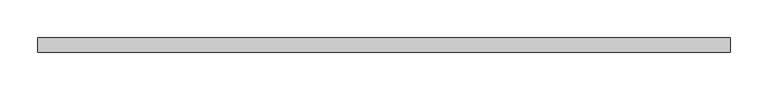
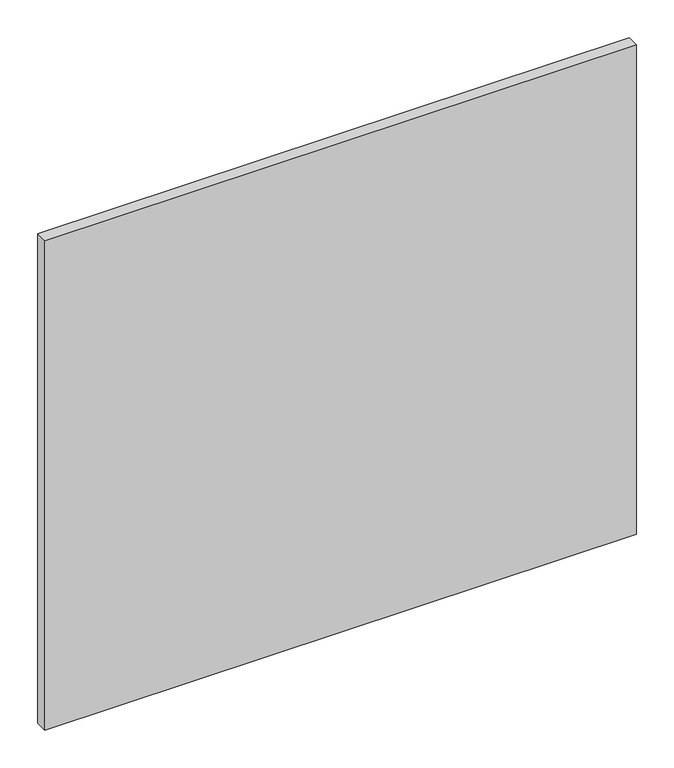
"""IFC4 building model written with IfcOpenShell, lengths in millimetres: proxy geometry."""

import ifcopenshell
import ifcopenshell.guid

model = None  # the IFC model being written
_history = None  # IfcOwnerHistory: only IFC2X3 demands one
_inside = {}  # id of a spatial element -> (the spatial element, [elements in it])
_under = {}  # id of a project, library or spatial element -> (it, [spatial elements below it])
_declared = {}  # id of a project -> (the project, [libraries it declares])
_typed = {}  # id of a type object -> (the type object, [elements of that type])
_made_of = {}  # id of a material, layer set ... -> (it, [elements and type objects made of it])


def new_model(schema):
    """Start an empty IFC model of exactly this schema.

    Asked for "IFC4X3", IfcOpenShell would pick the latest addendum, in which some entities
    have other attributes; the version numbers below select the first issue.
    IFC2X3 requires an IfcOwnerHistory on every rooted entity: one is made here for all.
    """
    global model, _history
    if schema == "IFC4X3":
        model = ifcopenshell.file(schema_version=(4, 3, 0, 0))
    else:
        model = ifcopenshell.file(schema=schema)
    _inside.clear()
    _under.clear()
    _declared.clear()
    _typed.clear()
    _made_of.clear()
    _history = None
    if model.schema == "IFC2X3":
        org = make("IfcOrganization", Name="unknown")
        user = make(
            "IfcPersonAndOrganization",
            ThePerson=make("IfcPerson", FamilyName="unknown"),
            TheOrganization=org,
        )
        app = make(
            "IfcApplication",
            ApplicationDeveloper=org,
            Version="unknown",
            ApplicationFullName="unknown",
            ApplicationIdentifier="unknown",
        )
        _history = make(
            "IfcOwnerHistory",
            OwningUser=user,
            OwningApplication=app,
            ChangeAction="ADDED",
            CreationDate=0,
        )
    return model


def make(cls, **values):
    """One entity of the class cls with the attributes given. An attribute that is None is left unset."""
    return model.create_entity(
        cls, **{name: value for name, value in values.items() if value is not None}
    )


def rooted(cls, **values):
    """An entity with a GlobalId (a new one), such as an element, a storey or a relation."""
    return make(cls, GlobalId=ifcopenshell.guid.new(), OwnerHistory=_history, **values)


def si_unit(unit_type, name, prefix=None):
    """IfcSIUnit, for example si_unit("LENGTHUNIT", "METRE", prefix="MILLI")."""
    return make("IfcSIUnit", UnitType=unit_type, Prefix=prefix, Name=name)


def assignment(units):
    """IfcUnitAssignment: the units of a project."""
    return None if units is None else make("IfcUnitAssignment", Units=units)


def point(xyz):
    """IfcCartesianPoint."""
    return None if xyz is None else make("IfcCartesianPoint", Coordinates=xyz)


def direction(xyz):
    """IfcDirection."""
    return None if xyz is None else make("IfcDirection", DirectionRatios=xyz)


def frame(location, z_axis=None, x_axis=None):
    """IfcAxis2Placement3D, a coordinate frame: its origin and axes. An axis left out is left unset."""
    return make(
        "IfcAxis2Placement3D",
        Location=point(location),
        Axis=direction(z_axis),
        RefDirection=direction(x_axis),
    )


def origin():
    """The frame at (0, 0, 0) with its axes left unset."""
    return frame((0.0, 0.0, 0.0))


def place(relative_to, where):
    """IfcLocalPlacement: puts the frame where relative to a parent placement (None: the world)."""
    return make(
        "IfcLocalPlacement", PlacementRelTo=relative_to, RelativePlacement=where
    )


def context(
    kind, dimensions, precision=None, world=None, true_north=None, identifier=None
):
    """IfcGeometricRepresentationContext, for example the 3D "Model" context."""
    return make(
        "IfcGeometricRepresentationContext",
        ContextIdentifier=identifier,
        ContextType=kind,
        CoordinateSpaceDimension=dimensions,
        Precision=precision,
        WorldCoordinateSystem=world,
        TrueNorth=true_north,
    )


def project(units=None, contexts=None):
    """IfcProject with its units and contexts."""
    return rooted(
        "IfcProject",
        Name="project",
        RepresentationContexts=contexts,
        UnitsInContext=assignment(units),
    )


def spatial(cls, under=None, at=None, **own):
    """A site, building, storey or space (cls), placed at a placement, below another one or the project."""
    s = rooted(cls, ObjectPlacement=at, **own)
    if under is not None:
        _under.setdefault(under.id(), (under, []))[1].append(s)
    return s


def polyline(points):
    """IfcPolyline through the points."""
    return make("IfcPolyline", Points=[point(p) for p in points])


def outline(outer, holes=None, kind="AREA"):
    """IfcArbitraryClosedProfileDef: a profile drawn as a closed curve; with holes, ...WithVoids."""
    if holes is None:
        return make("IfcArbitraryClosedProfileDef", ProfileType=kind, OuterCurve=outer)
    return make(
        "IfcArbitraryProfileDefWithVoids",
        ProfileType=kind,
        OuterCurve=outer,
        InnerCurves=holes,
    )


def extrude(swept, where, along, depth):
    """IfcExtrudedAreaSolid: the profile swept, set in the frame where, extruded along a direction by depth."""
    return make(
        "IfcExtrudedAreaSolid",
        SweptArea=swept,
        Position=where,
        ExtrudedDirection=direction(along),
        Depth=depth,
    )


def shape(context_of_items, identifier, shape_type, items):
    """IfcShapeRepresentation: the items that make up one representation, for example the "Body"."""
    return make(
        "IfcShapeRepresentation",
        ContextOfItems=context_of_items,
        RepresentationIdentifier=identifier,
        RepresentationType=shape_type,
        Items=items,
    )


def source(mapping_origin, context_of_items, identifier, shape_type, items):
    """IfcRepresentationMap: a shape defined once, which mapped items show again and again."""
    return make(
        "IfcRepresentationMap",
        MappingOrigin=mapping_origin,
        MappedRepresentation=shape(context_of_items, identifier, shape_type, items),
    )


def transform(
    local_origin,
    x_axis=None,
    y_axis=None,
    z_axis=None,
    scale=None,
    scale2=None,
    scale3=None,
    uniform=True,
):
    """IfcCartesianTransformationOperator3D, or its non-uniform kind. x_axis, y_axis, z_axis: its Axis1, 2, 3."""
    if uniform:
        return make(
            "IfcCartesianTransformationOperator3D",
            Axis1=direction(x_axis),
            Axis2=direction(y_axis),
            LocalOrigin=point(local_origin),
            Scale=scale,
            Axis3=direction(z_axis),
        )
    return make(
        "IfcCartesianTransformationOperator3DnonUniform",
        Axis1=direction(x_axis),
        Axis2=direction(y_axis),
        LocalOrigin=point(local_origin),
        Scale=scale,
        Axis3=direction(z_axis),
        Scale2=scale2,
        Scale3=scale3,
    )


def mapped(mapping_source, mapping_target):
    """IfcMappedItem: shows the shape of a source again, moved by a transform."""
    return make(
        "IfcMappedItem", MappingSource=mapping_source, MappingTarget=mapping_target
    )


def made_of(thing, what):
    """Note that an element or type object is made of a material, layer set ...; save() writes the relation."""
    if what is not None:
        _made_of.setdefault(what.id(), (what, []))[1].append(thing)
    return thing


def element(
    cls,
    number,
    at=None,
    inside=None,
    cuts=None,
    type_object=None,
    material=None,
    context=None,
    identifier="Body",
    shape_type=None,
    held_by="IfcProductDefinitionShape",
    body=None,
    shapes=None,
    **own,
):
    """One element of the class cls, such as IfcWall. Its Tag is "e" and its number.

    at: its placement. inside: the storey or other place that contains it. cuts: it is an
    opening in that element (IfcRelVoidsElement). A single representation is given by context,
    identifier, shape_type and body (its items); several are given by shapes. held_by: the class
    of the entity that holds the representations. save() writes the other relations.
    """
    e = rooted(cls, Tag="e%d" % number, ObjectPlacement=at, **own)
    if body is not None:
        shapes = [shape(context, identifier, shape_type, body)]
    if shapes is not None:
        e.Representation = make(held_by, Representations=shapes)
    if inside is not None:
        _inside.setdefault(inside.id(), (inside, []))[1].append(e)
    if cuts is not None:
        rooted(
            "IfcRelVoidsElement", RelatingBuildingElement=cuts, RelatedOpeningElement=e
        )
    if type_object is not None:
        _typed.setdefault(type_object.id(), (type_object, []))[1].append(e)
    return made_of(e, material)


def aggregate(whole, parts):
    """IfcRelAggregates: a whole, such as a stair, and the parts it consists of."""
    return rooted("IfcRelAggregates", RelatingObject=whole, RelatedObjects=parts)


def save(model, path):
    """Write the relations noted so far, then the file.

    IfcRelAggregates (storeys below a building ...), IfcRelContainedInSpatialStructure (elements
    in a storey), IfcRelDefinesByType, IfcRelAssociatesMaterial and IfcRelDeclares: one each for
    every whole, place, type object, material and project.
    """
    for whole, parts in _under.values():
        aggregate(whole, parts)
    for where, things in _inside.values():
        rooted(
            "IfcRelContainedInSpatialStructure",
            RelatedElements=things,
            RelatingStructure=where,
        )
    for kind, things in _typed.values():
        rooted("IfcRelDefinesByType", RelatedObjects=things, RelatingType=kind)
    for what, things in _made_of.values():
        rooted("IfcRelAssociatesMaterial", RelatedObjects=things, RelatingMaterial=what)
    for by, libraries in _declared.values():
        rooted("IfcRelDeclares", RelatingContext=by, RelatedDefinitions=libraries)
    model.write(path)


def specialty_equipment_5d51861e(model_context):
    return source(origin(), model_context, "Body", "SweptSolid", [
        extrude(outline(polyline([(455.3204, 0.0), (-455.3204, 0.0), (-455.3204, 19.05), (455.3204, 19.05), (455.3204, 0.0)])), frame((0.0, 0.0, 3.175), z_axis=(0.0, 0.0, 1.0), x_axis=(1.0, 0.0, 0.0)), (0.0, 0.0, 1.0), 796.0868001),
    ])


if __name__ == "__main__":
    model = new_model("IFC4")
    model_context = context("Model", 3, world=origin())
    ifc_project = project(units=[si_unit("LENGTHUNIT", "METRE", prefix="MILLI")], contexts=[model_context])
    site = spatial("IfcSite", under=ifc_project)
    building = spatial("IfcBuilding", under=site)
    placement = place(None, origin())
    specialty_equipment_shape = specialty_equipment_5d51861e(model_context)
    element("IfcBuildingElementProxy", 1, Name="Specialty Equipment", at=placement, inside=building, context=model_context, shape_type="MappedRepresentation", body=[
        mapped(specialty_equipment_shape, transform((0.0, 0.0, 0.0), x_axis=(1.0, 0.0, 0.0), y_axis=(0.0, 1.0, 0.0), z_axis=(0.0, 0.0, 1.0))),
    ])
    save(model, "model.ifc")
